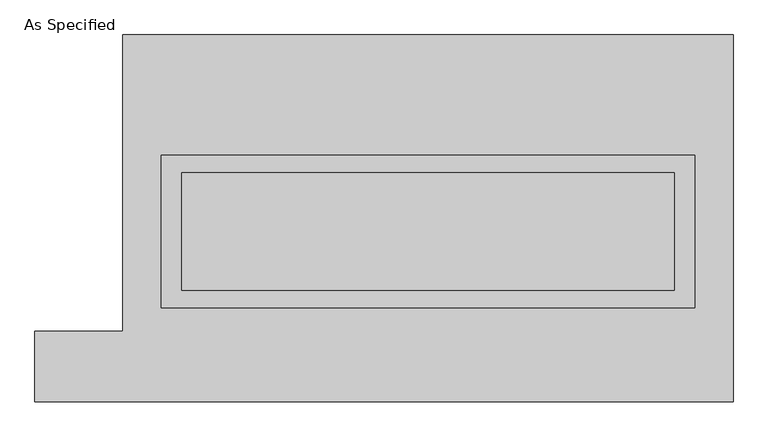
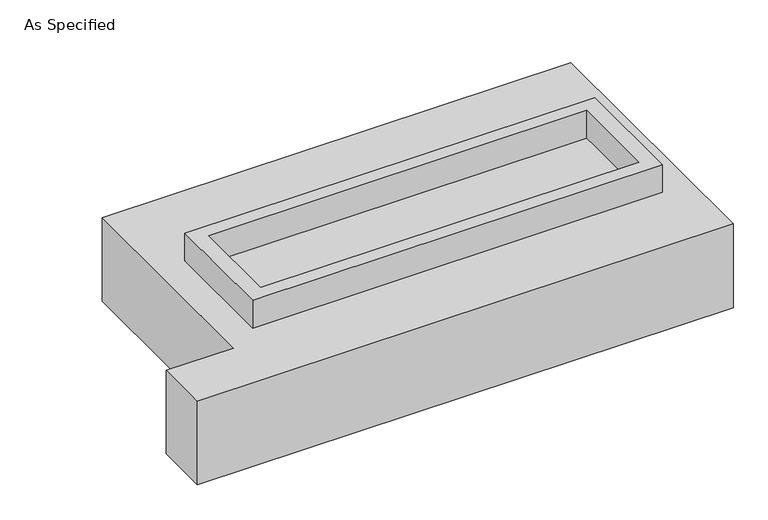
"""IFC4 building model written with IfcOpenShell, lengths in millimetres: proxy geometry, As Specified."""

from ifc_helpers import new_model, si_unit, frame, origin, place, context, project, spatial, polyline, outline, extrude, faceted_brep, source, transform, mapped, element, save


def as_specified_10c08eee(model_context):
    return source(origin(), model_context, "Body", "SolidModel", [
        extrude(outline(polyline([(1155.7, 273.05), (1155.7, -387.35), (-1155.7, -387.35), (-1155.7, 273.05), (1155.7, 273.05)]), holes=[polyline([(1066.8, 196.85), (-1066.8, 196.85), (-1066.8, -311.15), (1066.8, -311.15), (1066.8, 196.85)])]), frame((0.0, 0.0, -25.4), z_axis=(0.0, 0.0, 1.0), x_axis=(1.0, 0.0, 0.0)), (0.0, 0.0, 1.0), 165.1),
        extrude(outline(polyline([(1066.8, 196.85), (1066.8, -311.15), (-1066.8, -311.15), (-1066.8, 196.85), (1066.8, 196.85)])), frame((0.0, 0.0, -30.3609375), z_axis=(0.0, 0.0, 1.0), x_axis=(1.0, 0.0, 0.0)), (0.0, 0.0, 1.0), 4.9609375),
        faceted_brep([(-1320.8, 793.75, -523.875), (1320.8, 793.75, -523.875), (1320.8, -793.75, -523.875), (-1701.8, -793.75, -523.875), (-1701.8, -488.95, -523.875), (-1320.8, -488.95, -523.875), (1320.8, 793.75, -25.4), (-1320.8, 793.75, -25.4), (-1320.8, -488.95, -25.4), (-1701.8, -488.95, -25.4), (-1701.8, -793.75, -25.4), (1320.8, -793.75, -25.4), (-1155.7, -387.35, -25.4), (-1155.7, 273.05, -25.4), (1155.7, 273.05, -25.4), (1155.7, -387.35, -25.4), (1155.7, 273.05, -498.475), (-1155.7, 273.05, -498.475), (-1155.7, -387.35, -498.475), (1155.7, -387.35, -498.475)], [[[0, 1, 2, 3, 4, 5]], [[6, 7, 8, 9, 10, 11], [12, 13, 14, 15]], [[1, 0, 7, 6]], [[7, 0, 5, 8]], [[1, 6, 11, 2]], [[16, 17, 18, 19]], [[18, 17, 13, 12]], [[17, 16, 14, 13]], [[16, 19, 15, 14]], [[12, 15, 19, 18]], [[3, 2, 11, 10]], [[5, 4, 9, 8]], [[4, 3, 10, 9]]]),
    ])


if __name__ == "__main__":
    model = new_model("IFC4")
    model_context = context("Model", 3, world=origin())
    ifc_project = project(units=[si_unit("LENGTHUNIT", "METRE", prefix="MILLI")], contexts=[model_context])
    site = spatial("IfcSite", under=ifc_project)
    building = spatial("IfcBuilding", under=site)
    placement = place(None, origin())
    as_specified_shape = as_specified_10c08eee(model_context)
    element("IfcBuildingElementProxy", 1, Name="As Specified", ObjectType="As Specified", at=placement, inside=building, context=model_context, shape_type="MappedRepresentation", body=[
        mapped(as_specified_shape, transform((0.0, 0.0, 0.0), x_axis=(1.0, 0.0, 0.0), y_axis=(0.0, 1.0, 0.0), z_axis=(0.0, 0.0, 1.0))),
    ])
    save(model, "model.ifc")
